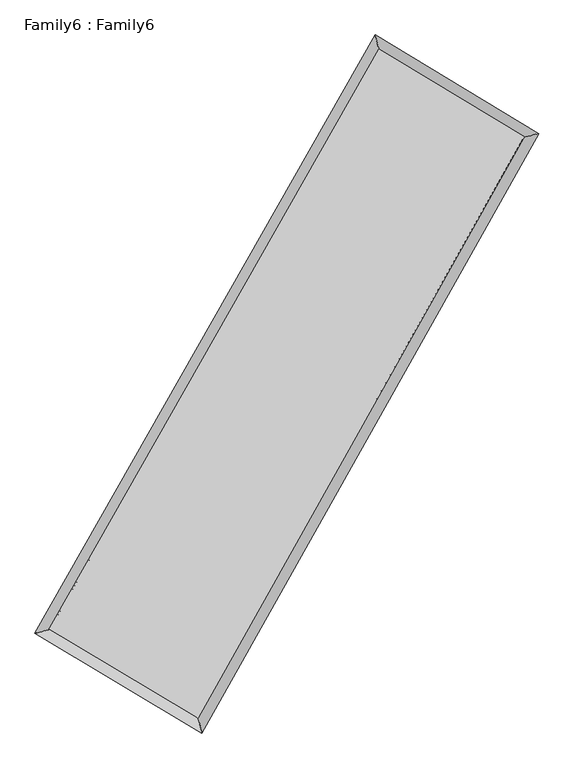
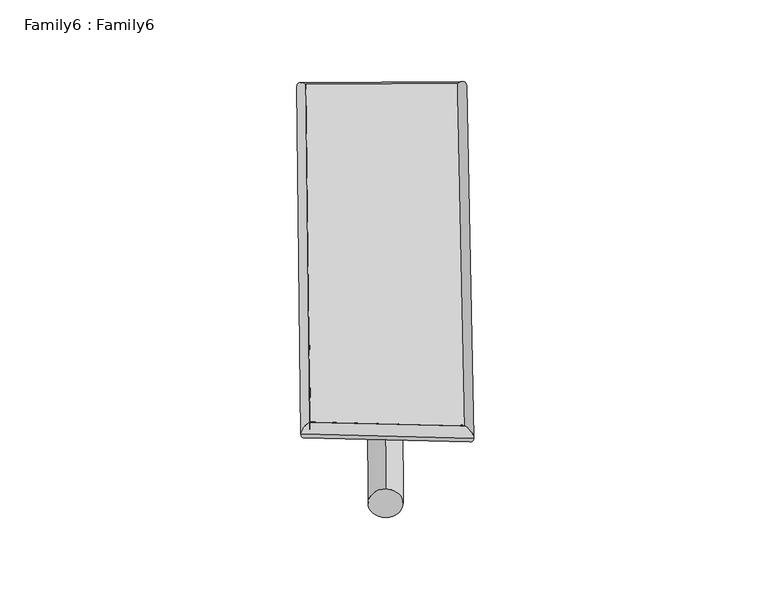
"""IFC4 building model written with IfcOpenShell, lengths in millimetres: plate geometry, Family6 : Family6."""

from ifc_helpers import new_model, si_unit, point, frame, origin, origin_2d, place, context, project, spatial, circle_curve, ellipse_curve, trimmed, segment, composite_curve, outline, extrude, source, transform, mapped, element, save
from ifc_brep_helpers import plane_surface, cylinder_surface, spline_surface, advanced_brep


def family6_family6_074a3907(model_context):
    return source(origin(), model_context, "Body", "SolidModel", [
        extrude(outline(composite_curve([segment(trimmed(circle_curve(origin_2d(), 76.2), [point((-75.4341514, -10.7763073))], [point((75.4341514, 10.7763073))], False, "CARTESIAN"), True, "CONTINUOUS"), segment(trimmed(circle_curve(origin_2d(), 76.2), [point((75.4341514, 10.7763073))], [point((-75.4341514, -10.7763073))], False, "CARTESIAN"), True, "CONTINUOUS")], self_intersect=False)), frame((9144.0, 9144.0, 0.0), z_axis=(0.6664876019149037, 0.6912829697360191, 0.27914536042476334), x_axis=(-0.6836103279738353, 0.7160745364681512, -0.14111760240816118)), (0.0, 0.0, 1.0), 5547.0833947),
        extrude(outline(composite_curve([segment(trimmed(circle_curve(origin_2d(), 76.2), [point((-53.8815367, 53.8815368))], [point((53.8815367, -53.8815368))], False, "CARTESIAN"), True, "CONTINUOUS"), segment(trimmed(circle_curve(origin_2d(), 76.2), [point((53.8815367, -53.8815368))], [point((-53.8815367, 53.8815368))], False, "CARTESIAN"), True, "CONTINUOUS")], self_intersect=False)), frame((9144.0, 9144.0, 0.0), z_axis=(-0.6700081926849816, -0.6881178322534586, 0.2785370184909102), x_axis=(0.6455233795014474, -0.3547630755831051, 0.6763451239713689)), (0.0, 0.0, 1.0), 5558.4844704),
        extrude(outline(composite_curve([segment(trimmed(circle_curve(origin_2d(), 76.2), [point((-53.8815367, -53.8815367))], [point((53.8815367, 53.8815367))], False, "CARTESIAN"), True, "CONTINUOUS"), segment(trimmed(circle_curve(origin_2d(), 76.2), [point((53.8815367, 53.8815367))], [point((-53.8815367, -53.8815367))], False, "CARTESIAN"), True, "CONTINUOUS")], self_intersect=False)), frame((9144.0, 9144.0, 0.0), z_axis=(0.25261880394167463, 0.9299645822250501, 0.2671134884315391), x_axis=(-0.8430994520034838, 0.34701820028844166, -0.4108061376123736)), (0.0, 0.0, 1.0), 5602.8838067),
        extrude(outline(composite_curve([segment(trimmed(circle_curve(origin_2d(), 76.2), [point((-75.4341514, 10.7763073))], [point((75.4341514, -10.7763073))], False, "CARTESIAN"), True, "CONTINUOUS"), segment(trimmed(circle_curve(origin_2d(), 76.2), [point((75.4341514, -10.7763073))], [point((-75.4341514, 10.7763073))], False, "CARTESIAN"), True, "CONTINUOUS")], self_intersect=False)), frame((9144.0, 9144.0, 0.0), z_axis=(-0.24805462588779115, -0.9311937182674481, 0.2671088947132097), x_axis=(0.886922577753313, -0.10739306865477337, 0.44926058126251167)), (0.0, 0.0, 1.0), 5604.7386514),
        advanced_brep(
        [(5213.6687285, 5264.8735246, 1544.3788188), (5213.5890507, 5264.7658907, 1553.0247727), (5625.8710033, 5373.3419066, 1552.1085647), (10614.5167006, 14143.3003801, 1501.9875917), (10504.2709112, 14565.6666169, 1491.224086), (5625.9506811, 5373.4495405, 1543.4626107), (12635.8105026, 12924.4308872, 1547.9089474), (13046.3141161, 13032.7776777, 1548.9762396), (7697.5146055, 4135.9823386, 1498.0468395), (7809.9226957, 3713.8228119, 1496.1042532)],
        [
            (0, 1, ellipse_curve(frame((5419.7698659, 5319.1077156, 1548.2436917), z_axis=(-0.25463836420925207, 0.96698778677931, 0.00969142365640546), x_axis=(-0.966851488878499, -0.254772849565523, 0.016999811107565283)), 213.2784599, 152.4)),
            (1, 2, ellipse_curve(frame((5419.7698659, 5319.1077156, 1548.2436917), z_axis=(-0.25463836420925207, 0.96698778677931, 0.00969142365640546), x_axis=(-0.966851488878499, -0.254772849565523, 0.016999811107565283)), 213.2784599, 152.4)),
            (2, 3),
            (3, 4, ellipse_curve(frame((10559.3938059, 14354.4834985, 1496.6058389), z_axis=(-0.9674651280273449, -0.25279158157983056, -0.010375082332260506), x_axis=(0.25259726857632503, -0.9674212607100536, 0.01705063734734337)), 218.3316398, 152.4)),
            (4, 0),
            (2, 5, ellipse_curve(frame((5419.7698659, 5319.1077156, 1548.2436917), z_axis=(-0.25463836420925207, 0.96698778677931, 0.00969142365640546), x_axis=(-0.966851488878499, -0.254772849565523, 0.016999811107565283)), 213.2784599, 152.4)),
            (5, 0, ellipse_curve(frame((5419.7698659, 5319.1077156, 1548.2436917), z_axis=(-0.25463836420925207, 0.96698778677931, 0.00969142365640546), x_axis=(-0.966851488878499, -0.254772849565523, 0.016999811107565283)), 213.2784599, 152.4)),
            (4, 3, ellipse_curve(frame((10559.3938059, 14354.4834985, 1496.6058389), z_axis=(-0.9674651280273449, -0.25279158157983056, -0.010375082332260506), x_axis=(0.25259726857632503, -0.9674212607100536, 0.01705063734734337)), 218.3316398, 152.4)),
            (3, 6),
            (6, 7, ellipse_curve(frame((12841.0623094, 12978.6042825, 1548.4425935), z_axis=(-0.25515950215185657, 0.9668461857257982, -0.010103544382648797), x_axis=(-0.966701909142059, -0.2553045298183684, -0.017521869629701807)), 212.3037793, 152.4)),
            (7, 4),
            (7, 6, ellipse_curve(frame((12841.0623094, 12978.6042825, 1548.4425935), z_axis=(-0.25515950215185657, 0.9668461857257982, -0.010103544382648797), x_axis=(-0.966701909142059, -0.2553045298183684, -0.017521869629701807)), 212.3037793, 152.4)),
            (6, 8),
            (8, 9, ellipse_curve(frame((7753.7186506, 3924.9025753, 1497.0755463), z_axis=(0.9662713557361157, 0.257334073582121, -0.00994191417788171), x_axis=(-0.2571520615047656, 0.9662286362907488, 0.016584320172055557)), 218.4534731, 152.4)),
            (9, 7),
            (9, 8, ellipse_curve(frame((7753.7186506, 3924.9025753, 1497.0755463), z_axis=(0.9662713557361157, 0.257334073582121, -0.00994191417788171), x_axis=(-0.2571520615047656, 0.9662286362907488, 0.016584320172055557)), 218.4534731, 152.4)),
            (8, 5),
            (1, 9),
        ],
        [
            cylinder_surface(frame((5419.7698659, 5319.1077156, 1548.2436917), z_axis=(-0.4944314223350432, -0.8692024459129469, 0.0049675574175634535), x_axis=(-0.8688904497206147, 0.4940812527261709, -0.03021757913608547)), 152.4),
            cylinder_surface(frame((10559.3938059, 14354.4834985, 1496.6058389), z_axis=(-0.8561899136672969, 0.516294941805114, -0.019451601498102027), x_axis=(0.5165876046383396, 0.8560965631071021, -0.01535973210151209)), 152.4),
            cylinder_surface(frame((12841.0623094, 12978.6042825, 1548.4425935), z_axis=(0.4898628679455276, 0.8717854702404605, 0.004946158691540333), x_axis=(0.8717985403738656, -0.4898628679455275, -0.0012944536222093946)), 152.4),
            cylinder_surface(frame((7753.7186506, 3924.9025753, 1497.0755463), z_axis=(0.8583395893124051, -0.5127368155534879, -0.01881774149785928), x_axis=(-0.5125753767554732, -0.8585445817735631, 0.012949295395593972)), 152.4),
        ],
        [
            (0, [[1, 2, 3, 4, 5]]),
            (0, [[6, 7, -5, 8, -3]]),
            (1, [[-4, 9, 10, 11]]),
            (1, [[-8, -11, 12, -9]]),
            (2, [[-10, 13, 14, 15]]),
            (2, [[-12, -15, 16, -13]]),
            (3, [[-14, 17, -6, -2, 18]]),
            (3, [[-16, -18, -1, -7, -17]]),
        ],
    ),
        extrude(outline(composite_curve([segment(trimmed(circle_curve(origin_2d(), 304.8), [point((0.0, -304.8))], [point((0.0, 304.8))], False, "CARTESIAN"), True, "CONTINUOUS"), segment(trimmed(circle_curve(origin_2d(), 304.8), [point((0.0, 304.8))], [point((0.0, -304.8))], False, "CARTESIAN"), True, "CONTINUOUS")], self_intersect=False)), frame((6552.2811984, 4620.0507309, -0.0204311), z_axis=(0.49709363411437457, 0.8676969049775435, 3.918704673573629e-06), x_axis=(-0.8676969049857655, 0.49709363411437457, 1.0429760535642805e-06)), (0.0, 0.0, 1.0), 10427.4873938),
        advanced_brep(
        [(5419.7698659, 5319.1077156, 1548.2436917), (7753.7186506, 3924.9025753, 1497.0755463), (7753.729134, 3924.8993974, 1649.4755459), (5419.7803493, 5319.1045377, 1700.6436913), (12841.0623094, 12978.6042825, 1548.4425935), (12841.0727928, 12978.6011046, 1700.8425931), (10559.3938059, 14354.4834985, 1496.6058389), (10559.4042893, 14354.4803206, 1649.0058385)],
        [
            (0, 1),
            (1, 2),
            (2, 3),
            (3, 0),
            (1, 4),
            (4, 5),
            (5, 2),
            (4, 6),
            (6, 7),
            (7, 5),
            (6, 0),
            (3, 7),
        ],
        [
            plane_surface(frame((6586.7442583, 4622.0051454, 1522.659619), z_axis=(-0.5128273408003009, -0.8584917694572262, 1.7375075227947165e-05), x_axis=(0.8583395893124052, -0.5127368155534879, -0.018817741497859284))),
            plane_surface(frame((10297.39048, 8451.7534289, 1522.7590699), z_axis=(0.87179630223787, -0.489868556327603, -7.018466157128478e-05), x_axis=(0.4898628679455274, 0.8717854702404606, 0.004946158691540331))),
            plane_surface(frame((11700.2280576, 13666.5438905, 1522.5242162), z_axis=(0.5163929376754366, 0.8563517581034569, -1.7664972346396676e-05), x_axis=(-0.8561899136672968, 0.5162949418051139, -0.019451601498102027))),
            plane_surface(frame((7989.5818359, 9836.7956071, 1522.4247653), z_axis=(-0.8692129962842098, 0.49443782437865996, 7.010223971194501e-05), x_axis=(-0.4944314223350432, -0.8692024459129469, 0.00496755741756345))),
            spline_surface(1, 1, [[(7753.729134, 3924.8993974, 1649.4755459), (5419.7803493, 5319.1045377, 1700.6436913)], [(12841.0727928, 12978.6011046, 1700.8425931), (10559.4042893, 14354.4803206, 1649.0058385)]], [2, 2], [2, 2], [0.0, 1.0], [0.0, 1.0]),
            spline_surface(1, 1, [[(10559.3938059, 14354.4834985, 1496.6058389), (5419.7698659, 5319.1077156, 1548.2436917)], [(12841.0623094, 12978.6042825, 1548.4425935), (7753.7186506, 3924.9025753, 1497.0755463)]], [2, 2], [2, 2], [0.0, 1.0], [0.0, 1.0]),
        ],
        [
            (0, [[1, 2, 3, 4]]),
            (1, [[5, 6, 7, -2]]),
            (2, [[8, 9, 10, -6]]),
            (3, [[11, -4, 12, -9]]),
            (4, [[-3, -7, -10, -12]]),
            (5, [[-11, -8, -5, -1]]),
        ],
    ),
    ])


if __name__ == "__main__":
    model = new_model("IFC4")
    model_context = context("Model", 3, world=origin())
    ifc_project = project(units=[si_unit("LENGTHUNIT", "METRE", prefix="MILLI")], contexts=[model_context])
    site = spatial("IfcSite", under=ifc_project)
    building = spatial("IfcBuilding", under=site)
    placement = place(None, origin())
    family6_family6_shape = family6_family6_074a3907(model_context)
    element("IfcPlate", 1, ObjectType="Family6 : Family6", at=placement, inside=building, context=model_context, shape_type="MappedRepresentation", body=[
        mapped(family6_family6_shape, transform((0.0, 0.0, 0.0), x_axis=(1.0, 0.0, 0.0), y_axis=(0.0, 1.0, 0.0), z_axis=(0.0, 0.0, 1.0))),
    ])
    save(model, "model.ifc")
